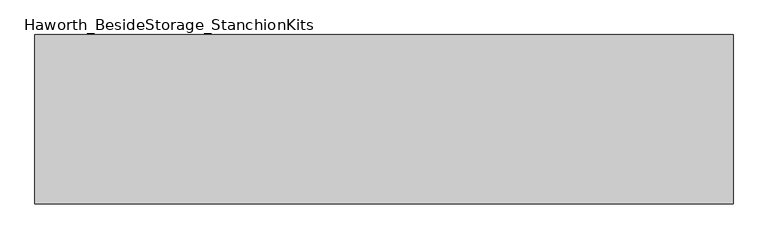
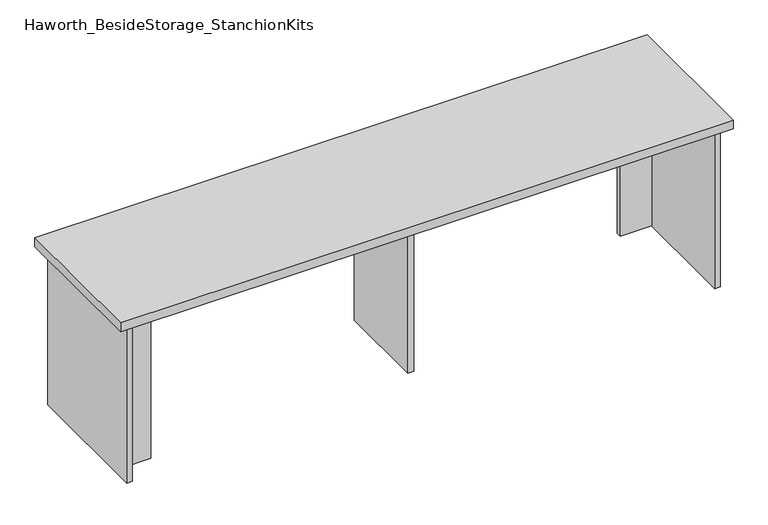
"""IFC4 building model written with IfcOpenShell, lengths in millimetres: furniture geometry, Haworth_BesideStorage_StanchionKits."""

from ifc_helpers import new_model, si_unit, frame, origin, place, context, project, spatial, polyline, outline, extrude, source, transform, mapped, element, save


def haworth_besidestorage_stanchionkits_4274237d(model_context):
    return source(origin(), model_context, "Body", "SweptSolid", [
        extrude(outline(polyline([(1000.125, 0.0), (1000.125, -406.4), (-676.275, -406.4), (-676.275, 0.0), (1000.125, 0.0)])), frame((0.0, 0.0, 889.0), z_axis=(0.0, 0.0, 1.0), x_axis=(1.0, 0.0, 0.0)), (0.0, 0.0, 1.0), 25.4),
        extrude(outline(polyline([(873.125, -76.2), (958.85, -76.2), (958.85, -92.075), (873.125, -92.075), (873.125, -76.2)])), frame((0.0, 0.0, 431.8), z_axis=(0.0, 0.0, 1.0), x_axis=(1.0, 0.0, 0.0)), (0.0, 0.0, 1.0), 457.2),
        extrude(outline(polyline([(-549.275, -314.325), (-549.275, -330.2), (-635.0, -330.2), (-635.0, -314.325), (-549.275, -314.325)])), frame((0.0, 0.0, 431.8), z_axis=(0.0, 0.0, 1.0), x_axis=(1.0, 0.0, 0.0)), (0.0, 0.0, 1.0), 457.2),
        extrude(outline(polyline([(169.8625, -330.2), (153.9875, -330.2), (153.9875, -76.2), (169.8625, -76.2), (169.8625, -330.2)])), frame((0.0, 0.0, 431.8), z_axis=(0.0, 0.0, 1.0), x_axis=(1.0, 0.0, 0.0)), (0.0, 0.0, 1.0), 457.2),
        extrude(outline(polyline([(974.725, -390.525), (958.85, -390.525), (958.85, -15.875), (974.725, -15.875), (974.725, -390.525)])), frame((0.0, 0.0, 431.8), z_axis=(0.0, 0.0, 1.0), x_axis=(1.0, 0.0, 0.0)), (0.0, 0.0, 1.0), 457.2),
        extrude(outline(polyline([(-635.0, -390.525), (-650.875, -390.525), (-650.875, -15.875), (-635.0, -15.875), (-635.0, -390.525)])), frame((0.0, 0.0, 431.8), z_axis=(0.0, 0.0, 1.0), x_axis=(1.0, 0.0, 0.0)), (0.0, 0.0, 1.0), 457.2),
    ])


if __name__ == "__main__":
    model = new_model("IFC4")
    model_context = context("Model", 3, world=origin())
    ifc_project = project(units=[si_unit("LENGTHUNIT", "METRE", prefix="MILLI")], contexts=[model_context])
    site = spatial("IfcSite", under=ifc_project)
    building = spatial("IfcBuilding", under=site)
    placement = place(None, origin())
    haworth_besidestorage_stanchionkits_shape = haworth_besidestorage_stanchionkits_4274237d(model_context)
    element("IfcFurniture", 1, ObjectType="Haworth_BesideStorage_StanchionKits", at=placement, inside=building, context=model_context, shape_type="MappedRepresentation", body=[
        mapped(haworth_besidestorage_stanchionkits_shape, transform((0.0, 0.0, 0.0), x_axis=(1.0, 0.0, 0.0), y_axis=(0.0, 1.0, 0.0), z_axis=(0.0, 0.0, 1.0))),
    ])
    save(model, "model.ifc")
